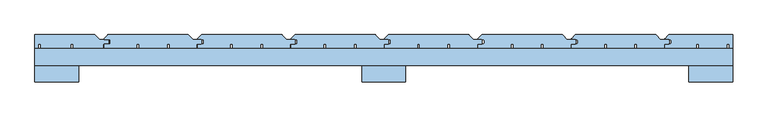
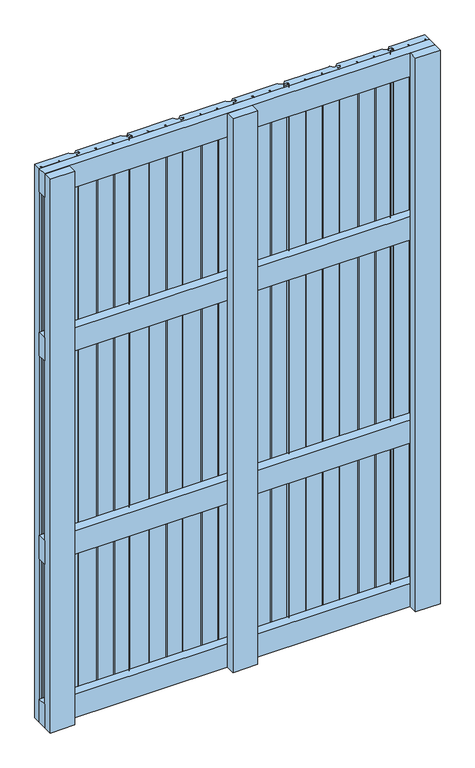
"""IFC4 building model written with IfcOpenShell, lengths in millimetres: window geometry."""

from ifc_helpers import new_model, si_unit, point, frame, frame_2d, origin, place, context, project, spatial, polyline, circle_curve, trimmed, segment, composite_curve, outline, extrude, source, transform, mapped, element, save


def window_273b02e1(model_context):
    return source(origin(), model_context, "Body", "SweptSolid", [
        extrude(outline(polyline([(500.0, 30.0), (500.0, 6.0), (-500.0, 6.0), (-500.0, 30.0), (500.0, 30.0)])), frame((0.0, 0.0, 1093.5), z_axis=(0.0, 0.0, 1.0), x_axis=(1.0, 0.0, 0.0)), (0.0, 0.0, 1.0), 63.0),
        extrude(outline(polyline([(500.0, 30.0), (500.0, 6.0), (-500.0, 6.0), (-500.0, 30.0), (500.0, 30.0)])), frame((0.0, 0.0, 543.5), z_axis=(0.0, 0.0, 1.0), x_axis=(1.0, 0.0, 0.0)), (0.0, 0.0, 1.0), 63.0),
        extrude(outline(polyline([(500.0, 30.0), (500.0, 6.0), (-500.0, 6.0), (-500.0, 30.0), (500.0, 30.0)])), frame((0.0, 0.0, 1537.0), z_axis=(0.0, 0.0, 1.0), x_axis=(1.0, 0.0, 0.0)), (0.0, 0.0, 1.0), 63.0),
        extrude(outline(polyline([(500.0, 30.0), (500.0, 6.0), (-500.0, 6.0), (-500.0, 30.0), (500.0, 30.0)])), frame((0.0, 0.0, 100.0), z_axis=(0.0, 0.0, 1.0), x_axis=(1.0, 0.0, 0.0)), (0.0, 0.0, 1.0), 63.0),
        extrude(outline(composite_curve([segment(polyline([(-400.0, 36.5), (-393.5, 36.5)]), True, "CONTINUOUS"), segment(trimmed(circle_curve(frame_2d((-393.5, 38.0)), 1.5), [point((-393.5, 36.5))], [point((-392.0, 38.0))], True, "CARTESIAN"), True, "CONTINUOUS"), segment(polyline([(-392.0, 38.0), (-392.0, 41.5)]), True, "CONTINUOUS"), segment(trimmed(circle_curve(frame_2d((-393.5, 41.5)), 1.5), [point((-392.0, 41.5))], [point((-393.5, 43.0))], True, "CARTESIAN"), True, "CONTINUOUS"), segment(polyline([(-393.5, 43.0), (-400.0, 43.0)]), True, "CONTINUOUS"), segment(trimmed(circle_curve(frame_2d((-400.0, 44.0)), 1.0), [point((-400.0, 43.0))], [point((-400.7071068, 44.7071068))], False, "CARTESIAN"), True, "CONTINUOUS"), segment(polyline([(-400.7071068, 44.7071068), (-395.8535534, 49.5606602)]), True, "CONTINUOUS"), segment(trimmed(circle_curve(frame_2d((-394.7928932, 48.5)), 1.5), [point((-395.8535534, 49.5606602))], [point((-394.7928932, 50.0))], False, "CARTESIAN"), True, "CONTINUOUS"), segment(polyline([(-394.7928932, 50.0), (-280.6213203, 50.0)]), True, "CONTINUOUS"), segment(trimmed(circle_curve(frame_2d((-280.6213203, 48.5)), 1.5), [point((-280.6213203, 50.0))], [point((-279.5606602, 49.5606602))], False, "CARTESIAN"), True, "CONTINUOUS"), segment(polyline([(-279.5606602, 49.5606602), (-273.2928932, 43.2928932)]), True, "CONTINUOUS"), segment(trimmed(circle_curve(frame_2d((-272.5857864, 44.0)), 1.0), [point((-273.2928932, 43.2928932))], [point((-272.5857864, 43.0))], True, "CARTESIAN"), True, "CONTINUOUS"), segment(polyline([(-272.5857864, 43.0), (-262.5, 43.0)]), True, "CONTINUOUS"), segment(trimmed(circle_curve(frame_2d((-262.5, 41.5)), 1.5), [point((-262.5, 43.0))], [point((-261.0, 41.5))], False, "CARTESIAN"), True, "CONTINUOUS"), segment(polyline([(-261.0, 41.5), (-261.0, 38.0)]), True, "CONTINUOUS"), segment(trimmed(circle_curve(frame_2d((-262.5, 38.0)), 1.5), [point((-261.0, 38.0))], [point((-262.5, 36.5))], False, "CARTESIAN"), True, "CONTINUOUS"), segment(polyline([(-262.5, 36.5), (-268.0, 36.5), (-268.0, 30.0), (-307.0, 30.0), (-307.0, 36.5), (-310.5, 36.5), (-310.5, 30.5), (-350.5, 30.5), (-350.5, 36.5), (-354.0, 36.5), (-354.0, 30.0), (-401.0, 30.0), (-401.0, 35.5)]), True, "CONTINUOUS"), segment(trimmed(circle_curve(frame_2d((-400.0, 35.5)), 1.0), [point((-401.0, 35.5))], [point((-400.0, 36.5))], False, "CARTESIAN"), True, "CONTINUOUS")], self_intersect=False)), frame((0.0, 0.0, 100.0), z_axis=(0.0, 0.0, 1.0), x_axis=(1.0, 0.0, 0.0)), (0.0, 0.0, 1.0), 1500.0),
        extrude(outline(composite_curve([segment(polyline([(-266.0, 36.5), (-259.5, 36.5)]), True, "CONTINUOUS"), segment(trimmed(circle_curve(frame_2d((-259.5, 38.0)), 1.5), [point((-259.5, 36.5))], [point((-258.0, 38.0))], True, "CARTESIAN"), True, "CONTINUOUS"), segment(polyline([(-258.0, 38.0), (-258.0, 41.5)]), True, "CONTINUOUS"), segment(trimmed(circle_curve(frame_2d((-259.5, 41.5)), 1.5), [point((-258.0, 41.5))], [point((-259.5, 43.0))], True, "CARTESIAN"), True, "CONTINUOUS"), segment(polyline([(-259.5, 43.0), (-266.0, 43.0)]), True, "CONTINUOUS"), segment(trimmed(circle_curve(frame_2d((-266.0, 44.0)), 1.0), [point((-266.0, 43.0))], [point((-266.7071068, 44.7071068))], False, "CARTESIAN"), True, "CONTINUOUS"), segment(polyline([(-266.7071068, 44.7071068), (-261.8535534, 49.5606602)]), True, "CONTINUOUS"), segment(trimmed(circle_curve(frame_2d((-260.7928932, 48.5)), 1.5), [point((-261.8535534, 49.5606602))], [point((-260.7928932, 50.0))], False, "CARTESIAN"), True, "CONTINUOUS"), segment(polyline([(-260.7928932, 50.0), (-146.6213203, 50.0)]), True, "CONTINUOUS"), segment(trimmed(circle_curve(frame_2d((-146.6213203, 48.5)), 1.5), [point((-146.6213203, 50.0))], [point((-145.5606602, 49.5606602))], False, "CARTESIAN"), True, "CONTINUOUS"), segment(polyline([(-145.5606602, 49.5606602), (-139.2928932, 43.2928932)]), True, "CONTINUOUS"), segment(trimmed(circle_curve(frame_2d((-138.5857864, 44.0)), 1.0), [point((-139.2928932, 43.2928932))], [point((-138.5857864, 43.0))], True, "CARTESIAN"), True, "CONTINUOUS"), segment(polyline([(-138.5857864, 43.0), (-128.5, 43.0)]), True, "CONTINUOUS"), segment(trimmed(circle_curve(frame_2d((-128.5, 41.5)), 1.5), [point((-128.5, 43.0))], [point((-127.0, 41.5))], False, "CARTESIAN"), True, "CONTINUOUS"), segment(polyline([(-127.0, 41.5), (-127.0, 38.0)]), True, "CONTINUOUS"), segment(trimmed(circle_curve(frame_2d((-128.5, 38.0)), 1.5), [point((-127.0, 38.0))], [point((-128.5, 36.5))], False, "CARTESIAN"), True, "CONTINUOUS"), segment(polyline([(-128.5, 36.5), (-134.0, 36.5), (-134.0, 30.0), (-173.0, 30.0), (-173.0, 36.5), (-176.5, 36.5), (-176.5, 30.5), (-216.5, 30.5), (-216.5, 36.5), (-220.0, 36.5), (-220.0, 30.0), (-267.0, 30.0), (-267.0, 35.5)]), True, "CONTINUOUS"), segment(trimmed(circle_curve(frame_2d((-266.0, 35.5)), 1.0), [point((-267.0, 35.5))], [point((-266.0, 36.5))], False, "CARTESIAN"), True, "CONTINUOUS")], self_intersect=False)), frame((0.0, 0.0, 100.0), z_axis=(0.0, 0.0, 1.0), x_axis=(1.0, 0.0, 0.0)), (0.0, 0.0, 1.0), 1500.0),
        extrude(outline(composite_curve([segment(polyline([(-132.0, 36.5), (-125.5, 36.5)]), True, "CONTINUOUS"), segment(trimmed(circle_curve(frame_2d((-125.5, 38.0)), 1.5), [point((-125.5, 36.5))], [point((-124.0, 38.0))], True, "CARTESIAN"), True, "CONTINUOUS"), segment(polyline([(-124.0, 38.0), (-124.0, 41.5)]), True, "CONTINUOUS"), segment(trimmed(circle_curve(frame_2d((-125.5, 41.5)), 1.5), [point((-124.0, 41.5))], [point((-125.5, 43.0))], True, "CARTESIAN"), True, "CONTINUOUS"), segment(polyline([(-125.5, 43.0), (-132.0, 43.0)]), True, "CONTINUOUS"), segment(trimmed(circle_curve(frame_2d((-132.0, 44.0)), 1.0), [point((-132.0, 43.0))], [point((-132.7071068, 44.7071068))], False, "CARTESIAN"), True, "CONTINUOUS"), segment(polyline([(-132.7071068, 44.7071068), (-127.8535534, 49.5606602)]), True, "CONTINUOUS"), segment(trimmed(circle_curve(frame_2d((-126.7928932, 48.5)), 1.5), [point((-127.8535534, 49.5606602))], [point((-126.7928932, 50.0))], False, "CARTESIAN"), True, "CONTINUOUS"), segment(polyline([(-126.7928932, 50.0), (-12.6213203, 50.0)]), True, "CONTINUOUS"), segment(trimmed(circle_curve(frame_2d((-12.6213203, 48.5)), 1.5), [point((-12.6213203, 50.0))], [point((-11.5606602, 49.5606602))], False, "CARTESIAN"), True, "CONTINUOUS"), segment(polyline([(-11.5606602, 49.5606602), (-5.2928932, 43.2928932)]), True, "CONTINUOUS"), segment(trimmed(circle_curve(frame_2d((-4.5857864, 44.0)), 1.0), [point((-5.2928932, 43.2928932))], [point((-4.5857864, 43.0))], True, "CARTESIAN"), True, "CONTINUOUS"), segment(polyline([(-4.5857864, 43.0), (5.5, 43.0)]), True, "CONTINUOUS"), segment(trimmed(circle_curve(frame_2d((5.5, 41.5)), 1.5), [point((5.5, 43.0))], [point((7.0, 41.5))], False, "CARTESIAN"), True, "CONTINUOUS"), segment(polyline([(7.0, 41.5), (7.0, 38.0)]), True, "CONTINUOUS"), segment(trimmed(circle_curve(frame_2d((5.5, 38.0)), 1.5), [point((7.0, 38.0))], [point((5.5, 36.5))], False, "CARTESIAN"), True, "CONTINUOUS"), segment(polyline([(5.5, 36.5), (0.0, 36.5), (0.0, 30.0), (-39.0, 30.0), (-39.0, 36.5), (-42.5, 36.5), (-42.5, 30.5), (-82.5, 30.5), (-82.5, 36.5), (-86.0, 36.5), (-86.0, 30.0), (-133.0, 30.0), (-133.0, 35.5)]), True, "CONTINUOUS"), segment(trimmed(circle_curve(frame_2d((-132.0, 35.5)), 1.0), [point((-133.0, 35.5))], [point((-132.0, 36.5))], False, "CARTESIAN"), True, "CONTINUOUS")], self_intersect=False)), frame((0.0, 0.0, 100.0), z_axis=(0.0, 0.0, 1.0), x_axis=(1.0, 0.0, 0.0)), (0.0, 0.0, 1.0), 1500.0),
        extrude(outline(composite_curve([segment(polyline([(2.0, 36.5), (8.5, 36.5)]), True, "CONTINUOUS"), segment(trimmed(circle_curve(frame_2d((8.5, 38.0)), 1.5), [point((8.5, 36.5))], [point((10.0, 38.0))], True, "CARTESIAN"), True, "CONTINUOUS"), segment(polyline([(10.0, 38.0), (10.0, 41.5)]), True, "CONTINUOUS"), segment(trimmed(circle_curve(frame_2d((8.5, 41.5)), 1.5), [point((10.0, 41.5))], [point((8.5, 43.0))], True, "CARTESIAN"), True, "CONTINUOUS"), segment(polyline([(8.5, 43.0), (2.0, 43.0)]), True, "CONTINUOUS"), segment(trimmed(circle_curve(frame_2d((2.0, 44.0)), 1.0), [point((2.0, 43.0))], [point((1.2928932, 44.7071068))], False, "CARTESIAN"), True, "CONTINUOUS"), segment(polyline([(1.2928932, 44.7071068), (6.1464466, 49.5606602)]), True, "CONTINUOUS"), segment(trimmed(circle_curve(frame_2d((7.2071068, 48.5)), 1.5), [point((6.1464466, 49.5606602))], [point((7.2071068, 50.0))], False, "CARTESIAN"), True, "CONTINUOUS"), segment(polyline([(7.2071068, 50.0), (121.3786797, 50.0)]), True, "CONTINUOUS"), segment(trimmed(circle_curve(frame_2d((121.3786797, 48.5)), 1.5), [point((121.3786797, 50.0))], [point((122.4393398, 49.5606602))], False, "CARTESIAN"), True, "CONTINUOUS"), segment(polyline([(122.4393398, 49.5606602), (128.7071068, 43.2928932)]), True, "CONTINUOUS"), segment(trimmed(circle_curve(frame_2d((129.4142136, 44.0)), 1.0), [point((128.7071068, 43.2928932))], [point((129.4142136, 43.0))], True, "CARTESIAN"), True, "CONTINUOUS"), segment(polyline([(129.4142136, 43.0), (139.5, 43.0)]), True, "CONTINUOUS"), segment(trimmed(circle_curve(frame_2d((139.5, 41.5)), 1.5), [point((139.5, 43.0))], [point((141.0, 41.5))], False, "CARTESIAN"), True, "CONTINUOUS"), segment(polyline([(141.0, 41.5), (141.0, 38.0)]), True, "CONTINUOUS"), segment(trimmed(circle_curve(frame_2d((139.5, 38.0)), 1.5), [point((141.0, 38.0))], [point((139.5, 36.5))], False, "CARTESIAN"), True, "CONTINUOUS"), segment(polyline([(139.5, 36.5), (134.0, 36.5), (134.0, 30.0), (95.0, 30.0), (95.0, 36.5), (91.5, 36.5), (91.5, 30.5), (51.5, 30.5), (51.5, 36.5), (48.0, 36.5), (48.0, 30.0), (1.0, 30.0), (1.0, 35.5)]), True, "CONTINUOUS"), segment(trimmed(circle_curve(frame_2d((2.0, 35.5)), 1.0), [point((1.0, 35.5))], [point((2.0, 36.5))], False, "CARTESIAN"), True, "CONTINUOUS")], self_intersect=False)), frame((0.0, 0.0, 100.0), z_axis=(0.0, 0.0, 1.0), x_axis=(1.0, 0.0, 0.0)), (0.0, 0.0, 1.0), 1500.0),
        extrude(outline(composite_curve([segment(polyline([(136.0, 36.5), (142.5, 36.5)]), True, "CONTINUOUS"), segment(trimmed(circle_curve(frame_2d((142.5, 38.0)), 1.5), [point((142.5, 36.5))], [point((144.0, 38.0))], True, "CARTESIAN"), True, "CONTINUOUS"), segment(polyline([(144.0, 38.0), (144.0, 41.5)]), True, "CONTINUOUS"), segment(trimmed(circle_curve(frame_2d((142.5, 41.5)), 1.5), [point((144.0, 41.5))], [point((142.5, 43.0))], True, "CARTESIAN"), True, "CONTINUOUS"), segment(polyline([(142.5, 43.0), (136.0, 43.0)]), True, "CONTINUOUS"), segment(trimmed(circle_curve(frame_2d((136.0, 44.0)), 1.0), [point((136.0, 43.0))], [point((135.2928932, 44.7071068))], False, "CARTESIAN"), True, "CONTINUOUS"), segment(polyline([(135.2928932, 44.7071068), (140.1464466, 49.5606602)]), True, "CONTINUOUS"), segment(trimmed(circle_curve(frame_2d((141.2071068, 48.5)), 1.5), [point((140.1464466, 49.5606602))], [point((141.2071068, 50.0))], False, "CARTESIAN"), True, "CONTINUOUS"), segment(polyline([(141.2071068, 50.0), (255.3786797, 50.0)]), True, "CONTINUOUS"), segment(trimmed(circle_curve(frame_2d((255.3786797, 48.5)), 1.5), [point((255.3786797, 50.0))], [point((256.4393398, 49.5606602))], False, "CARTESIAN"), True, "CONTINUOUS"), segment(polyline([(256.4393398, 49.5606602), (262.7071068, 43.2928932)]), True, "CONTINUOUS"), segment(trimmed(circle_curve(frame_2d((263.4142136, 44.0)), 1.0), [point((262.7071068, 43.2928932))], [point((263.4142136, 43.0))], True, "CARTESIAN"), True, "CONTINUOUS"), segment(polyline([(263.4142136, 43.0), (273.5, 43.0)]), True, "CONTINUOUS"), segment(trimmed(circle_curve(frame_2d((273.5, 41.5)), 1.5), [point((273.5, 43.0))], [point((275.0, 41.5))], False, "CARTESIAN"), True, "CONTINUOUS"), segment(polyline([(275.0, 41.5), (275.0, 38.0)]), True, "CONTINUOUS"), segment(trimmed(circle_curve(frame_2d((273.5, 38.0)), 1.5), [point((275.0, 38.0))], [point((273.5, 36.5))], False, "CARTESIAN"), True, "CONTINUOUS"), segment(polyline([(273.5, 36.5), (268.0, 36.5), (268.0, 30.0), (229.0, 30.0), (229.0, 36.5), (225.5, 36.5), (225.5, 30.5), (185.5, 30.5), (185.5, 36.5), (182.0, 36.5), (182.0, 30.0), (135.0, 30.0), (135.0, 35.5)]), True, "CONTINUOUS"), segment(trimmed(circle_curve(frame_2d((136.0, 35.5)), 1.0), [point((135.0, 35.5))], [point((136.0, 36.5))], False, "CARTESIAN"), True, "CONTINUOUS")], self_intersect=False)), frame((0.0, 0.0, 100.0), z_axis=(0.0, 0.0, 1.0), x_axis=(1.0, 0.0, 0.0)), (0.0, 0.0, 1.0), 1500.0),
        extrude(outline(composite_curve([segment(polyline([(270.0, 36.5), (276.5, 36.5)]), True, "CONTINUOUS"), segment(trimmed(circle_curve(frame_2d((276.5, 38.0)), 1.5), [point((276.5, 36.5))], [point((278.0, 38.0))], True, "CARTESIAN"), True, "CONTINUOUS"), segment(polyline([(278.0, 38.0), (278.0, 41.5)]), True, "CONTINUOUS"), segment(trimmed(circle_curve(frame_2d((276.5, 41.5)), 1.5), [point((278.0, 41.5))], [point((276.5, 43.0))], True, "CARTESIAN"), True, "CONTINUOUS"), segment(polyline([(276.5, 43.0), (270.0, 43.0)]), True, "CONTINUOUS"), segment(trimmed(circle_curve(frame_2d((270.0, 44.0)), 1.0), [point((270.0, 43.0))], [point((269.2928932, 44.7071068))], False, "CARTESIAN"), True, "CONTINUOUS"), segment(polyline([(269.2928932, 44.7071068), (274.1464466, 49.5606602)]), True, "CONTINUOUS"), segment(trimmed(circle_curve(frame_2d((275.2071068, 48.5)), 1.5), [point((274.1464466, 49.5606602))], [point((275.2071068, 50.0))], False, "CARTESIAN"), True, "CONTINUOUS"), segment(polyline([(275.2071068, 50.0), (389.3786797, 50.0)]), True, "CONTINUOUS"), segment(trimmed(circle_curve(frame_2d((389.3786797, 48.5)), 1.5), [point((389.3786797, 50.0))], [point((390.4393398, 49.5606602))], False, "CARTESIAN"), True, "CONTINUOUS"), segment(polyline([(390.4393398, 49.5606602), (396.7071068, 43.2928932)]), True, "CONTINUOUS"), segment(trimmed(circle_curve(frame_2d((397.4142136, 44.0)), 1.0), [point((396.7071068, 43.2928932))], [point((397.4142136, 43.0))], True, "CARTESIAN"), True, "CONTINUOUS"), segment(polyline([(397.4142136, 43.0), (407.5, 43.0)]), True, "CONTINUOUS"), segment(trimmed(circle_curve(frame_2d((407.5, 41.5)), 1.5), [point((407.5, 43.0))], [point((409.0, 41.5))], False, "CARTESIAN"), True, "CONTINUOUS"), segment(polyline([(409.0, 41.5), (409.0, 38.0)]), True, "CONTINUOUS"), segment(trimmed(circle_curve(frame_2d((407.5, 38.0)), 1.5), [point((409.0, 38.0))], [point((407.5, 36.5))], False, "CARTESIAN"), True, "CONTINUOUS"), segment(polyline([(407.5, 36.5), (402.0, 36.5), (402.0, 30.0), (363.0, 30.0), (363.0, 36.5), (359.5, 36.5), (359.5, 30.5), (319.5, 30.5), (319.5, 36.5), (316.0, 36.5), (316.0, 30.0), (269.0, 30.0), (269.0, 35.5)]), True, "CONTINUOUS"), segment(trimmed(circle_curve(frame_2d((270.0, 35.5)), 1.0), [point((269.0, 35.5))], [point((270.0, 36.5))], False, "CARTESIAN"), True, "CONTINUOUS")], self_intersect=False)), frame((0.0, 0.0, 100.0), z_axis=(0.0, 0.0, 1.0), x_axis=(1.0, 0.0, 0.0)), (0.0, 0.0, 1.0), 1500.0),
        extrude(outline(composite_curve([segment(polyline([(-413.5606602, 49.5606602), (-407.2928932, 43.2928932)]), True, "CONTINUOUS"), segment(trimmed(circle_curve(frame_2d((-406.5857864, 44.0)), 1.0), [point((-407.2928932, 43.2928932))], [point((-406.5857864, 43.0))], True, "CARTESIAN"), True, "CONTINUOUS"), segment(polyline([(-406.5857864, 43.0), (-395.5, 43.0)]), True, "CONTINUOUS"), segment(trimmed(circle_curve(frame_2d((-395.5, 41.5)), 1.5), [point((-395.5, 43.0))], [point((-394.0, 41.5))], False, "CARTESIAN"), True, "CONTINUOUS"), segment(polyline([(-394.0, 41.5), (-394.0, 38.0)]), True, "CONTINUOUS"), segment(trimmed(circle_curve(frame_2d((-395.5, 38.0)), 1.5), [point((-394.0, 38.0))], [point((-395.5, 36.5))], False, "CARTESIAN"), True, "CONTINUOUS"), segment(polyline([(-395.5, 36.5), (-402.0, 36.5), (-402.0, 30.0), (-445.0610702, 30.0), (-445.0610702, 36.5), (-448.5610702, 36.5), (-448.5610702, 30.5), (-491.6221403, 30.5), (-491.6221403, 36.5), (-495.1221403, 36.5), (-495.1221403, 30.5), (-500.0, 30.5), (-500.0, 50.0), (-414.6213203, 50.0)]), True, "CONTINUOUS"), segment(trimmed(circle_curve(frame_2d((-414.6213203, 48.5)), 1.5), [point((-414.6213203, 50.0))], [point((-413.5606602, 49.5606602))], False, "CARTESIAN"), True, "CONTINUOUS")], self_intersect=False)), frame((0.0, 0.0, 100.0), z_axis=(0.0, 0.0, 1.0), x_axis=(1.0, 0.0, 0.0)), (0.0, 0.0, 1.0), 1500.0),
        extrude(outline(composite_curve([segment(polyline([(404.0, 36.5), (410.5, 36.5)]), True, "CONTINUOUS"), segment(trimmed(circle_curve(frame_2d((410.5, 38.0)), 1.5), [point((410.5, 36.5))], [point((412.0, 38.0))], True, "CARTESIAN"), True, "CONTINUOUS"), segment(polyline([(412.0, 38.0), (412.0, 41.5)]), True, "CONTINUOUS"), segment(trimmed(circle_curve(frame_2d((410.5, 41.5)), 1.5), [point((412.0, 41.5))], [point((410.5, 43.0))], True, "CARTESIAN"), True, "CONTINUOUS"), segment(polyline([(410.5, 43.0), (404.0, 43.0)]), True, "CONTINUOUS"), segment(trimmed(circle_curve(frame_2d((404.0, 44.0)), 1.0), [point((404.0, 43.0))], [point((403.2928932, 44.7071068))], False, "CARTESIAN"), True, "CONTINUOUS"), segment(polyline([(403.2928932, 44.7071068), (408.1464466, 49.5606602)]), True, "CONTINUOUS"), segment(trimmed(circle_curve(frame_2d((409.2071068, 48.5)), 1.5), [point((408.1464466, 49.5606602))], [point((409.2071068, 50.0))], False, "CARTESIAN"), True, "CONTINUOUS"), segment(polyline([(409.2071068, 50.0), (500.0, 50.0), (500.0, 30.0), (495.0, 30.0), (495.0, 36.5), (491.5, 36.5), (491.5, 30.5), (451.5, 30.5), (451.5, 36.5), (448.0, 36.5), (448.0, 30.0), (403.0, 30.0), (403.0, 35.5)]), True, "CONTINUOUS"), segment(trimmed(circle_curve(frame_2d((404.0, 35.5)), 1.0), [point((403.0, 35.5))], [point((404.0, 36.5))], False, "CARTESIAN"), True, "CONTINUOUS")], self_intersect=False)), frame((0.0, 0.0, 100.0), z_axis=(0.0, 0.0, 1.0), x_axis=(1.0, 0.0, 0.0)), (0.0, 0.0, 1.0), 1500.0),
        extrude(outline(polyline([(-31.5, 6.1), (31.5, 6.1), (31.5, -17.9), (-31.5, -17.9), (-31.5, 6.1)])), frame((0.0, 0.0, 100.0), z_axis=(0.0, 0.0, 1.0), x_axis=(1.0, 0.0, 0.0)), (0.0, 0.0, 1.0), 1500.0),
        extrude(outline(polyline([(-500.0, 6.0), (-437.0, 6.0), (-437.0, -18.0), (-500.0, -18.0), (-500.0, 6.0)])), frame((0.0, 0.0, 100.0), z_axis=(0.0, 0.0, 1.0), x_axis=(1.0, 0.0, 0.0)), (0.0, 0.0, 1.0), 1500.0),
        extrude(outline(polyline([(437.0, 6.0), (500.0, 6.0), (500.0, -18.0), (437.0, -18.0), (437.0, 6.0)])), frame((0.0, 0.0, 100.0), z_axis=(0.0, 0.0, 1.0), x_axis=(1.0, 0.0, 0.0)), (0.0, 0.0, 1.0), 1500.0),
    ])


if __name__ == "__main__":
    model = new_model("IFC4")
    model_context = context("Model", 3, world=origin())
    ifc_project = project(units=[si_unit("LENGTHUNIT", "METRE", prefix="MILLI")], contexts=[model_context])
    site = spatial("IfcSite", under=ifc_project)
    building = spatial("IfcBuilding", under=site)
    placement = place(None, origin())
    window_shape = window_273b02e1(model_context)
    element("IfcWindow", 1, at=placement, inside=building, context=model_context, shape_type="MappedRepresentation", body=[
        mapped(window_shape, transform((0.0, 0.0, 0.0), x_axis=(1.0, 0.0, 0.0), y_axis=(0.0, 1.0, 0.0), z_axis=(0.0, 0.0, 1.0))),
    ])
    save(model, "model.ifc")
